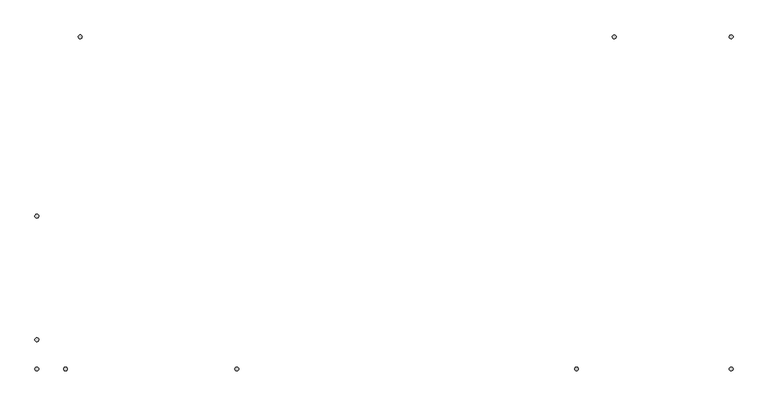
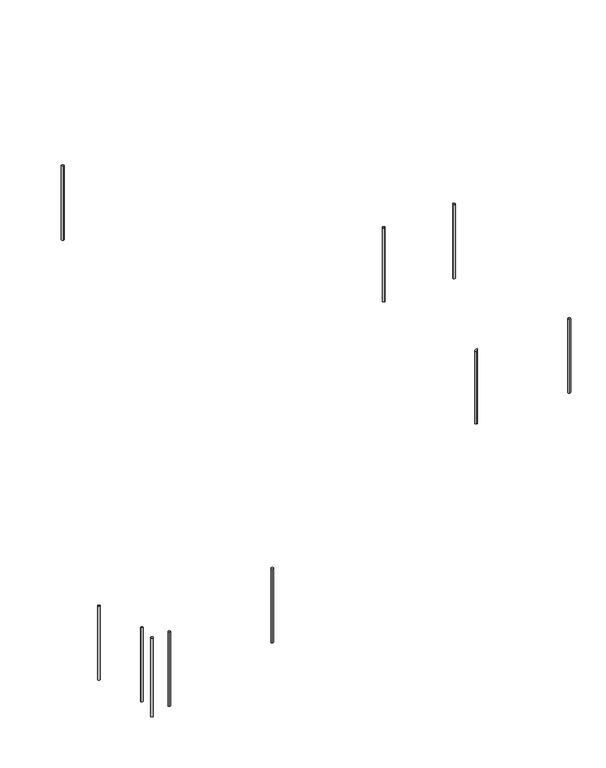
"""IFC4 building model written with IfcOpenShell, lengths in millimetres: railing geometry."""

from ifc_helpers import new_model, si_unit, point, frame, frame_2d, origin, place, context, project, spatial, circle_curve, ellipse_curve, trimmed, segment, composite_curve, outline, extrude, source, transform, mapped, element, save
from ifc_brep_helpers import plane_surface, cylinder_surface, advanced_brep


def railing_afbc950c(model_context):
    return source(origin(), model_context, "Body", "SolidModel", [
        extrude(outline(composite_curve([segment(trimmed(circle_curve(frame_2d((604.0215975, 16024.6868987)), 12.5), [point((604.0215975, 16012.1868987))], [point((604.0215975, 16037.1868987))], False, "CARTESIAN"), True, "CONTINUOUS"), segment(trimmed(circle_curve(frame_2d((604.0215975, 16024.6868987)), 12.5), [point((604.0215975, 16037.1868987))], [point((604.0215975, 16012.1868987))], False, "CARTESIAN"), True, "CONTINUOUS")], self_intersect=False)), frame((0.0, 0.0, 2643.4782609), z_axis=(0.0, 0.0, 1.0), x_axis=(1.0, 0.0, 0.0)), (0.0, 0.0, 1.0), 860.0),
        extrude(outline(composite_curve([segment(trimmed(circle_curve(frame_2d((1379.0215975, 16024.6868987)), 12.5), [point((1366.5215975, 16024.6868987))], [point((1391.5215975, 16024.6868987))], False, "CARTESIAN"), True, "CONTINUOUS"), segment(trimmed(circle_curve(frame_2d((1379.0215975, 16024.6868987)), 12.5), [point((1391.5215975, 16024.6868987))], [point((1366.5215975, 16024.6868987))], False, "CARTESIAN"), True, "CONTINUOUS")], self_intersect=False)), frame((0.0, 0.0, 2643.4782609), z_axis=(0.0, 0.0, 1.0), x_axis=(1.0, 0.0, 0.0)), (0.0, 0.0, 1.0), 860.0),
        extrude(outline(composite_curve([segment(trimmed(circle_curve(frame_2d((1379.0215975, 13824.6868987)), 12.5), [point((1379.0215975, 13837.1868987))], [point((1379.0215975, 13812.1868987))], False, "CARTESIAN"), True, "CONTINUOUS"), segment(trimmed(circle_curve(frame_2d((1379.0215975, 13824.6868987)), 12.5), [point((1379.0215975, 13812.1868987))], [point((1379.0215975, 13837.1868987))], False, "CARTESIAN"), True, "CONTINUOUS")], self_intersect=False)), frame((0.0, 0.0, 2643.4782609), z_axis=(0.0, 0.0, 1.0), x_axis=(1.0, 0.0, 0.0)), (0.0, 0.0, 1.0), 860.0),
        advanced_brep(
        [(354.0215975, 13812.1868987, 3492.6849326), (354.0215975, 13812.1868987, 2643.4782609), (354.0215975, 13837.1868987, 2643.4782609), (354.0215975, 13837.1868987, 3492.6849326)],
        [
            (0, 1),
            (1, 2, circle_curve(frame((354.0215975, 13824.6868987, 2643.4782609), z_axis=(0.0, 0.0, 1.0), x_axis=(0.0, 1.0, 0.0)), 12.5)),
            (2, 3),
            (3, 0, ellipse_curve(frame((354.0215975, 13824.6868987, 3492.6849326), z_axis=(0.6163082616581094, 0.0, -0.7875050010075869), x_axis=(0.787505001007587, 0.0, 0.6163082616581093)), 15.8729151, 12.5)),
            (0, 3, ellipse_curve(frame((354.0215975, 13824.6868987, 3492.6849326), z_axis=(0.6163082616581094, 0.0, -0.7875050010075869), x_axis=(0.787505001007587, 0.0, 0.6163082616581093)), 15.8729151, 12.5)),
            (2, 1, circle_curve(frame((354.0215975, 13824.6868987, 2643.4782609), z_axis=(0.0, 0.0, 1.0), x_axis=(0.0, 1.0, 0.0)), 12.5)),
        ],
        [
            cylinder_surface(frame((354.0215975, 13824.6868987, 2543.4782609), z_axis=(0.0, 0.0, 1.0), x_axis=(0.0, 1.0, 0.0)), 12.5),
            plane_surface(frame((379.0215975, 13849.6868987, 3512.25015), z_axis=(-0.6163082616581094, 0.0, 0.7875050010075869), x_axis=(0.0, -1.0, 0.0))),
            plane_surface(frame((329.0215975, 13849.6868987, 2643.4782609), z_axis=(0.0, 0.0, -1.0), x_axis=(0.0, -1.0, 0.0))),
        ],
        [
            (0, [[1, 2, 3, 4]]),
            (0, [[-1, 5, -3, 6]]),
            (1, [[-4, -5]]),
            (2, [[-2, -6]]),
        ],
    ),
        advanced_brep(
        [(-1895.9784025, 13812.1868987, 1740.8359196), (-1895.9784025, 13812.1868987, 882.6086957), (-1895.9784025, 13837.1868987, 882.6086957), (-1895.9784025, 13837.1868987, 1740.8359196)],
        [
            (0, 1),
            (1, 2, circle_curve(frame((-1895.9784025, 13824.6868987, 882.6086957), z_axis=(0.0, 0.0, 1.0), x_axis=(0.0, 1.0, 0.0)), 12.5)),
            (2, 3),
            (3, 0, ellipse_curve(frame((-1895.9784025, 13824.6868987, 1740.8359196), z_axis=(0.28822919875449116, 0.0, -0.9575614491954781), x_axis=(0.9575614491954781, 0.0, 0.2882291987544904)), 13.0539925, 12.5)),
            (0, 3, ellipse_curve(frame((-1895.9784025, 13824.6868987, 1740.8359196), z_axis=(0.28822919875449116, 0.0, -0.9575614491954781), x_axis=(0.9575614491954781, 0.0, 0.2882291987544904)), 13.0539925, 12.5)),
            (2, 1, circle_curve(frame((-1895.9784025, 13824.6868987, 882.6086957), z_axis=(0.0, 0.0, 1.0), x_axis=(0.0, 1.0, 0.0)), 12.5)),
        ],
        [
            cylinder_surface(frame((-1895.9784025, 13824.6868987, 782.6086957), z_axis=(0.0, 0.0, 1.0), x_axis=(0.0, 1.0, 0.0)), 12.5),
            plane_surface(frame((-1870.9784025, 13849.6868987, 1748.3610032), z_axis=(-0.28822919875449116, 0.0, 0.9575614491954781), x_axis=(0.0, -1.0, 0.0))),
            plane_surface(frame((-1920.9784025, 13849.6868987, 882.6086957), z_axis=(0.0, 0.0, -1.0), x_axis=(0.0, -1.0, 0.0))),
        ],
        [
            (0, [[1, 2, 3, 4]]),
            (0, [[-1, 5, -3, 6]]),
            (1, [[-4, -5]]),
            (2, [[-2, -6]]),
        ],
    ),
        extrude(outline(composite_curve([segment(trimmed(circle_curve(frame_2d((-3030.5594605, 13824.6868987)), 12.5), [point((-3030.5594605, 13837.1868987))], [point((-3030.5594605, 13812.1868987))], False, "CARTESIAN"), True, "CONTINUOUS"), segment(trimmed(circle_curve(frame_2d((-3030.5594605, 13824.6868987)), 12.5), [point((-3030.5594605, 13812.1868987))], [point((-3030.5594605, 13837.1868987))], False, "CARTESIAN"), True, "CONTINUOUS")], self_intersect=False)), frame((0.0, 0.0, 541.0960026), z_axis=(0.0, 0.0, 1.0), x_axis=(1.0, 0.0, 0.0)), (0.0, 0.0, 1.0), 860.0),
        extrude(outline(composite_curve([segment(trimmed(circle_curve(frame_2d((-3220.9784025, 13824.6868987)), 12.5), [point((-3208.4784025, 13824.6868987))], [point((-3233.4784025, 13824.6868987))], False, "CARTESIAN"), True, "CONTINUOUS"), segment(trimmed(circle_curve(frame_2d((-3220.9784025, 13824.6868987)), 12.5), [point((-3233.4784025, 13824.6868987))], [point((-3208.4784025, 13824.6868987))], False, "CARTESIAN"), True, "CONTINUOUS")], self_intersect=False)), frame((0.0, 0.0, 483.7792642), z_axis=(0.0, 0.0, 1.0), x_axis=(1.0, 0.0, 0.0)), (0.0, 0.0, 1.0), 917.3167384),
        advanced_brep(
        [(-3233.4784025, 14018.7334928, 1399.3875464), (-3233.4784025, 14018.7334928, 541.0960026), (-3208.4784025, 14018.7334928, 541.0960026), (-3208.4784025, 14018.7334928, 1399.3875464)],
        [
            (0, 1),
            (1, 2, circle_curve(frame((-3220.9784025, 14018.7334928, 541.0960026), z_axis=(0.0, 0.0, 1.0), x_axis=(1.0, 0.0, 0.0)), 12.5)),
            (2, 3),
            (3, 0, ellipse_curve(frame((-3220.9784025, 14018.7334928, 1399.3875464), z_axis=(0.0, -0.28327700371761266, -0.9590381322787805), x_axis=(0.0, -0.9590381322787807, 0.28327700371761233)), 13.0338926, 12.5)),
            (0, 3, ellipse_curve(frame((-3220.9784025, 14018.7334928, 1399.3875464), z_axis=(0.0, -0.28327700371761266, -0.9590381322787805), x_axis=(0.0, -0.9590381322787807, 0.28327700371761233)), 13.0338926, 12.5)),
            (2, 1, circle_curve(frame((-3220.9784025, 14018.7334928, 541.0960026), z_axis=(0.0, 0.0, 1.0), x_axis=(1.0, 0.0, 0.0)), 12.5)),
        ],
        [
            cylinder_surface(frame((-3220.9784025, 14018.7334928, 441.0960026), z_axis=(0.0, 0.0, 1.0), x_axis=(1.0, 0.0, 0.0)), 12.5),
            plane_surface(frame((-3195.9784025, 13993.7334928, 1406.7719504), z_axis=(0.0, 0.28327700371761266, 0.9590381322787805), x_axis=(-1.0, 0.0, 0.0))),
            plane_surface(frame((-3195.9784025, 14043.7334928, 541.0960026), z_axis=(0.0, 0.0, -1.0), x_axis=(-1.0, 0.0, 0.0))),
        ],
        [
            (0, [[1, 2, 3, 4]]),
            (0, [[-1, 5, -3, 6]]),
            (1, [[-4, -5]]),
            (2, [[-2, -6]]),
        ],
    ),
        extrude(outline(composite_curve([segment(trimmed(circle_curve(frame_2d((-2933.7918036, 16024.6868987)), 12.5), [point((-2933.7918036, 16012.1868987))], [point((-2933.7918036, 16037.1868987))], False, "CARTESIAN"), True, "CONTINUOUS"), segment(trimmed(circle_curve(frame_2d((-2933.7918036, 16024.6868987)), 12.5), [point((-2933.7918036, 16037.1868987))], [point((-2933.7918036, 16012.1868987))], False, "CARTESIAN"), True, "CONTINUOUS")], self_intersect=False)), frame((0.0, 0.0, 4600.0), z_axis=(0.0, 0.0, 1.0), x_axis=(1.0, 0.0, 0.0)), (0.0, 0.0, 1.0), 860.0),
        advanced_brep(
        [(-3233.4784025, 14837.5002998, 1157.5433485), (-3233.4784025, 14837.5002998, 299.2518047), (-3208.4784025, 14837.5002998, 299.2518047), (-3208.4784025, 14837.5002998, 1157.5433485)],
        [
            (0, 1),
            (1, 2, circle_curve(frame((-3220.9784025, 14837.5002998, 299.2518047), z_axis=(0.0, 0.0, 1.0), x_axis=(1.0, 0.0, 0.0)), 12.5)),
            (2, 3),
            (3, 0, ellipse_curve(frame((-3220.9784025, 14837.5002998, 1157.5433485), z_axis=(0.0, -0.28327700371761266, -0.9590381322787805), x_axis=(0.0, -0.9590381322787807, 0.28327700371761233)), 13.0338926, 12.5)),
            (0, 3, ellipse_curve(frame((-3220.9784025, 14837.5002998, 1157.5433485), z_axis=(0.0, -0.28327700371761266, -0.9590381322787805), x_axis=(0.0, -0.9590381322787807, 0.28327700371761233)), 13.0338926, 12.5)),
            (2, 1, circle_curve(frame((-3220.9784025, 14837.5002998, 299.2518047), z_axis=(0.0, 0.0, 1.0), x_axis=(1.0, 0.0, 0.0)), 12.5)),
        ],
        [
            cylinder_surface(frame((-3220.9784025, 14837.5002998, 199.2518047), z_axis=(0.0, 0.0, 1.0), x_axis=(1.0, 0.0, 0.0)), 12.5),
            plane_surface(frame((-3195.9784025, 14812.5002998, 1164.9277525), z_axis=(0.0, 0.28327700371761266, 0.9590381322787805), x_axis=(-1.0, 0.0, 0.0))),
            plane_surface(frame((-3195.9784025, 14862.5002998, 299.2518047), z_axis=(0.0, 0.0, -1.0), x_axis=(-1.0, 0.0, 0.0))),
        ],
        [
            (0, [[1, 2, 3, 4]]),
            (0, [[-1, 5, -3, 6]]),
            (1, [[-4, -5]]),
            (2, [[-2, -6]]),
        ],
    ),
    ])


if __name__ == "__main__":
    model = new_model("IFC4")
    model_context = context("Model", 3, world=origin())
    ifc_project = project(units=[si_unit("LENGTHUNIT", "METRE", prefix="MILLI")], contexts=[model_context])
    site = spatial("IfcSite", under=ifc_project)
    building = spatial("IfcBuilding", under=site)
    placement = place(None, origin())
    railing_shape = railing_afbc950c(model_context)
    element("IfcRailing", 1, at=placement, inside=building, context=model_context, shape_type="MappedRepresentation", body=[
        mapped(railing_shape, transform((0.0, 0.0, 0.0), x_axis=(1.0, 0.0, 0.0), y_axis=(0.0, 1.0, 0.0), z_axis=(0.0, 0.0, 1.0))),
    ])
    save(model, "model.ifc")
